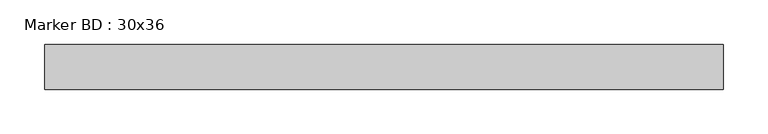
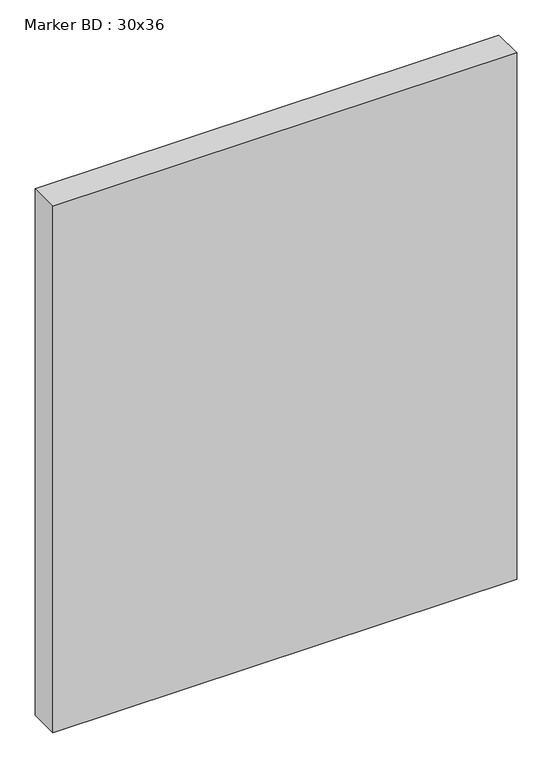
"""IFC4 building model written with IfcOpenShell, lengths in millimetres: furniture geometry, Marker BD : 30x36."""

from ifc_helpers import new_model, si_unit, frame, origin, place, context, project, spatial, polyline, outline, extrude, source, transform, mapped, element, save


def marker_bd_30x36_d1732dec(model_context):
    return source(origin(), model_context, "Body", "SweptSolid", [
        extrude(outline(polyline([(381.0, 0.0), (381.0, -50.8), (-381.0, -50.8), (-381.0, 0.0), (381.0, 0.0)])), frame((0.0, 0.0, 914.4), z_axis=(0.0, 0.0, 1.0), x_axis=(1.0, 0.0, 0.0)), (0.0, 0.0, 1.0), 914.4),
    ])


if __name__ == "__main__":
    model = new_model("IFC4")
    model_context = context("Model", 3, world=origin())
    ifc_project = project(units=[si_unit("LENGTHUNIT", "METRE", prefix="MILLI")], contexts=[model_context])
    site = spatial("IfcSite", under=ifc_project)
    building = spatial("IfcBuilding", under=site)
    placement = place(None, origin())
    marker_bd_30x36_shape = marker_bd_30x36_d1732dec(model_context)
    element("IfcFurniture", 1, ObjectType="Marker BD : 30x36", at=placement, inside=building, context=model_context, shape_type="MappedRepresentation", body=[
        mapped(marker_bd_30x36_shape, transform((0.0, 0.0, 0.0), x_axis=(1.0, 0.0, 0.0), y_axis=(0.0, 1.0, 0.0), z_axis=(0.0, 0.0, 1.0))),
    ])
    save(model, "model.ifc")
